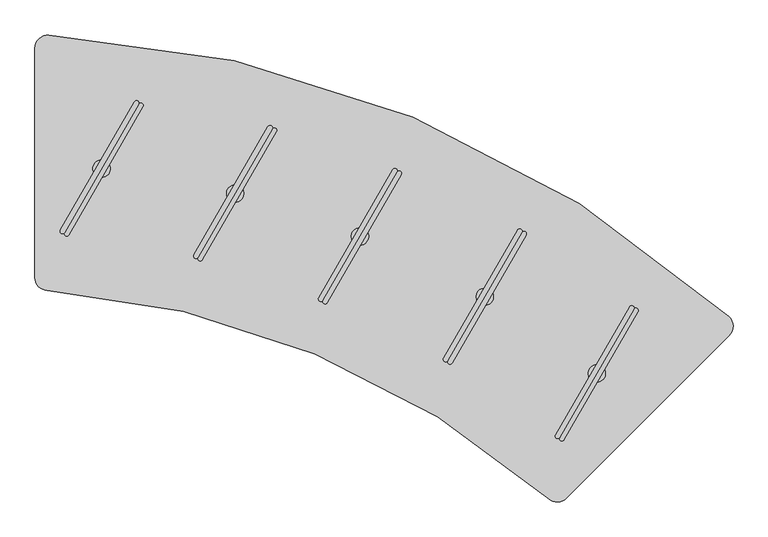
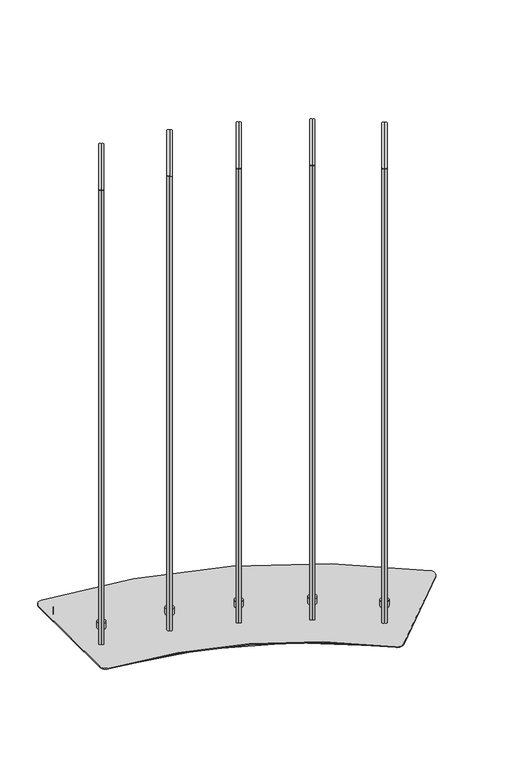
"""IFC4 building model written with IfcOpenShell, lengths in millimetres: furniture geometry."""

from ifc_helpers import new_model, si_unit, point, frame, frame_2d, origin, place, context, project, spatial, polyline, circle_curve, trimmed, segment, composite_curve, outline, extrude, source, transform, mapped, element, save
from ifc_brep_helpers import plane_surface, cylinder_surface, advanced_brep


def furniture_3cf90657(model_context):
    return source(origin(), model_context, "Body", "SolidModel", [
        extrude(outline(composite_curve([segment(trimmed(circle_curve(frame_2d((-419.4960741, 167.4557313)), 19.05), [point((-438.5460741, 167.4557313))], [point((-418.1073044, 186.4550423))], False, "CARTESIAN"), True, "CONTINUOUS"), segment(trimmed(circle_curve(frame_2d((-531.7750957, -1368.5974254)), 1559.2012519), [point((-418.1073044, 186.4550423))], [point((487.4377356, -188.6339732))], False, "CARTESIAN"), True, "CONTINUOUS"), segment(trimmed(circle_curve(frame_2d((474.9852029, -203.0505238)), 19.05), [point((487.4377356, -188.6339732))], [point((488.4555858, -216.5209092))], False, "CARTESIAN"), True, "CONTINUOUS"), segment(polyline([(488.4555858, -216.5209092), (295.9646299, -409.0118286)]), True, "CONTINUOUS"), segment(trimmed(circle_curve(frame_2d((282.494247, -395.5414431)), 19.05), [point((295.9646299, -409.0118286))], [point((270.2667118, -410.1493138))], False, "CARTESIAN"), True, "CONTINUOUS"), segment(trimmed(circle_curve(frame_2d((-531.5515125, -1368.0575729)), 1249.2000231), [point((270.2667118, -410.1493138))], [point((-421.179225, -123.7430403))], True, "CARTESIAN"), True, "CONTINUOUS"), segment(trimmed(circle_curve(frame_2d((-419.4960741, -104.7675429)), 19.05), [point((-421.179225, -123.7430403))], [point((-438.5460741, -104.7675429))], False, "CARTESIAN"), True, "CONTINUOUS"), segment(polyline([(-438.5460741, -104.7675429), (-438.5460741, 167.4557313)]), True, "CONTINUOUS")], self_intersect=False)), frame((0.0, 0.0, 36.322), z_axis=(0.0, 0.0, 1.0), x_axis=(1.0, 0.0, 0.0)), (0.0, 0.0, 1.0), 20.6756),
        extrude(outline(composite_curve([segment(polyline([(-468.5460736, -131.1224266), (-468.5460736, 199.3418668)]), True, "CONTINUOUS"), segment(trimmed(circle_curve(frame_2d((-449.4960736, 199.3418668)), 19.05), [point((-468.5460736, 199.3418668))], [point((-448.5014738, 218.3658851))], False, "CARTESIAN"), True, "CONTINUOUS"), segment(trimmed(circle_curve(frame_2d((-531.4274371, -1367.784621)), 1588.3167642), [point((-448.5014738, 218.3658851))], [point((531.4986436, -187.5565539))], False, "CARTESIAN"), True, "CONTINUOUS"), segment(trimmed(circle_curve(frame_2d((518.7500897, -201.7120078)), 19.05), [point((531.4986436, -187.5565539))], [point((532.220476, -215.1823899))], False, "CARTESIAN"), True, "CONTINUOUS"), segment(polyline([(532.220476, -215.1823899), (297.882893, -449.5200458)]), True, "CONTINUOUS"), segment(trimmed(circle_curve(frame_2d((284.4125067, -436.0496637)), 19.05), [point((297.882893, -449.5200458))], [point((271.9304226, -450.4406358))], False, "CARTESIAN"), True, "CONTINUOUS"), segment(trimmed(circle_curve(frame_2d((-541.5381758, -1388.3131727)), 1241.5055603), [point((271.9304226, -450.4406358))], [point((-450.8870492, -150.1215762))], True, "CARTESIAN"), True, "CONTINUOUS"), segment(trimmed(circle_curve(frame_2d((-449.4960736, -131.1224266)), 19.05), [point((-450.8870492, -150.1215762))], [point((-468.5460736, -131.1224266))], False, "CARTESIAN"), True, "CONTINUOUS")], self_intersect=False)), frame((0.0, 0.0, 56.9976), z_axis=(0.0, 0.0, 1.0), x_axis=(1.0, 0.0, 0.0)), (0.0, 0.0, 1.0), 2.9999986),
        extrude(outline(composite_curve([segment(polyline([(281.9295904, -358.8077226), (388.5875108, -174.0707853)]), True, "CONTINUOUS"), segment(trimmed(circle_curve(frame_2d((391.6185291, -175.8207445)), 3.4999184), [point((388.5875108, -174.0707853))], [point((394.6495473, -177.5707037))], False, "CARTESIAN"), True, "CONTINUOUS"), segment(polyline([(394.6495473, -177.5707037), (287.9916269, -362.3076409)]), True, "CONTINUOUS"), segment(trimmed(circle_curve(frame_2d((284.9606086, -360.5576818)), 3.4999184), [point((287.9916269, -362.3076409))], [point((281.9295904, -358.8077226))], False, "CARTESIAN"), True, "CONTINUOUS")], self_intersect=False)), frame((0.0, 0.0, 80.7339983), z_axis=(0.0, 0.0, 1.0), x_axis=(1.0, 0.0, 0.0)), (0.0, 0.0, 1.0), 1500.124),
        extrude(outline(composite_curve([segment(trimmed(circle_curve(frame_2d((291.0226451, -364.0576001)), 3.4999184), [point((294.0536633, -365.8075593))], [point((287.9916269, -362.3076409))], False, "CARTESIAN"), True, "CONTINUOUS"), segment(polyline([(287.9916269, -362.3076409), (394.6495473, -177.5707037)]), True, "CONTINUOUS"), segment(trimmed(circle_curve(frame_2d((397.6805655, -179.3206629)), 3.4999184), [point((394.6495473, -177.5707037))], [point((400.7115838, -181.0706221))], False, "CARTESIAN"), True, "CONTINUOUS"), segment(polyline([(400.7115838, -181.0706221), (294.0536633, -365.8075593)]), True, "CONTINUOUS")], self_intersect=False)), frame((0.0, 0.0, 80.7339983), z_axis=(0.0, 0.0, 1.0), x_axis=(1.0, 0.0, 0.0)), (0.0, 0.0, 1.0), 1500.124),
        advanced_brep(
        [(341.3143001, -282.4358914, 80.7339983), (341.3143001, -257.4397564, 80.7339983), (341.3143001, -257.4397564, 59.9975986), (341.3143001, -282.4358914, 59.9975986), (341.3143001, -269.9378239, 80.7339983), (341.3143001, -269.9378239, 59.9975986)],
        [
            (0, 1, circle_curve(frame((341.3143001, -269.9378239, 80.7339983), z_axis=(0.0, 0.0, -1.0), x_axis=(0.0, 1.0, 0.0)), 12.4980675)),
            (1, 2),
            (2, 3, circle_curve(frame((341.3143001, -269.9378239, 59.9975986), z_axis=(0.0, 0.0, 1.0), x_axis=(0.0, 1.0, 0.0)), 12.4980675)),
            (3, 0),
            (4, 1),
            (0, 4),
            (0, 1, circle_curve(frame((341.3143001, -269.9378239, 80.7339983), z_axis=(0.0, 0.0, 1.0), x_axis=(0.0, 1.0, 0.0)), 12.4980675)),
            (2, 5),
            (5, 3),
            (2, 3, circle_curve(frame((341.3143001, -269.9378239, 59.9975986), z_axis=(0.0, 0.0, -1.0), x_axis=(0.0, 1.0, 0.0)), 12.4980675)),
        ],
        [
            cylinder_surface(frame((341.3143001, -269.9378239, 88.2747758), z_axis=(0.0, 0.0, 1.0), x_axis=(0.0, 1.0, 0.0)), 12.4980675),
            plane_surface(frame((341.3143001, -269.9378239, 80.7339983), z_axis=(0.0, 0.0, 1.0), x_axis=(0.0, 1.0, 0.0))),
            plane_surface(frame((341.3143001, -269.9378239, 59.9975986), z_axis=(0.0, 0.0, -1.0), x_axis=(0.0, 1.0, 0.0))),
        ],
        [
            (0, [[1, 2, 3, 4]]),
            (1, [[5, -1, 6]]),
            (1, [[-6, 7, -5]]),
            (2, [[-3, 8, 9]]),
            (2, [[10, -9, -8]]),
            (0, [[-7, -4, -10, -2]]),
        ],
    ),
        extrude(outline(composite_curve([segment(polyline([(120.6262821, -248.0135769), (227.2842025, -63.2766396)]), True, "CONTINUOUS"), segment(trimmed(circle_curve(frame_2d((230.3152208, -65.0265988)), 3.4999184), [point((227.2842025, -63.2766396))], [point((233.346239, -66.776558))], False, "CARTESIAN"), True, "CONTINUOUS"), segment(polyline([(233.346239, -66.776558), (126.6883186, -251.5134953)]), True, "CONTINUOUS"), segment(trimmed(circle_curve(frame_2d((123.6573003, -249.7635361)), 3.4999184), [point((126.6883186, -251.5134953))], [point((120.6262821, -248.0135769))], False, "CARTESIAN"), True, "CONTINUOUS")], self_intersect=False)), frame((0.0, 0.0, 80.7339983), z_axis=(0.0, 0.0, 1.0), x_axis=(1.0, 0.0, 0.0)), (0.0, 0.0, 1.0), 1500.124),
        extrude(outline(composite_curve([segment(trimmed(circle_curve(frame_2d((129.7193368, -253.2634545)), 3.4999184), [point((132.750355, -255.0134136))], [point((126.6883186, -251.5134953))], False, "CARTESIAN"), True, "CONTINUOUS"), segment(polyline([(126.6883186, -251.5134953), (233.346239, -66.776558)]), True, "CONTINUOUS"), segment(trimmed(circle_curve(frame_2d((236.3772572, -68.5265172)), 3.4999184), [point((233.346239, -66.776558))], [point((239.4082755, -70.2764764))], False, "CARTESIAN"), True, "CONTINUOUS"), segment(polyline([(239.4082755, -70.2764764), (132.750355, -255.0134136)]), True, "CONTINUOUS")], self_intersect=False)), frame((0.0, 0.0, 80.7339983), z_axis=(0.0, 0.0, 1.0), x_axis=(1.0, 0.0, 0.0)), (0.0, 0.0, 1.0), 1500.124),
        advanced_brep(
        [(180.0109918, -171.6417458, 80.7339983), (180.0109918, -146.6456107, 80.7339983), (180.0109918, -146.6456107, 59.9975986), (180.0109918, -171.6417458, 59.9975986), (180.0109918, -159.1436782, 80.7339983), (180.0109918, -159.1436782, 59.9975986)],
        [
            (0, 1, circle_curve(frame((180.0109918, -159.1436782, 80.7339983), z_axis=(0.0, 0.0, -1.0), x_axis=(0.0, 1.0, 0.0)), 12.4980675)),
            (1, 2),
            (2, 3, circle_curve(frame((180.0109918, -159.1436782, 59.9975986), z_axis=(0.0, 0.0, 1.0), x_axis=(0.0, 1.0, 0.0)), 12.4980675)),
            (3, 0),
            (4, 1),
            (0, 4),
            (0, 1, circle_curve(frame((180.0109918, -159.1436782, 80.7339983), z_axis=(0.0, 0.0, 1.0), x_axis=(0.0, 1.0, 0.0)), 12.4980675)),
            (2, 5),
            (5, 3),
            (2, 3, circle_curve(frame((180.0109918, -159.1436782, 59.9975986), z_axis=(0.0, 0.0, -1.0), x_axis=(0.0, 1.0, 0.0)), 12.4980675)),
        ],
        [
            cylinder_surface(frame((180.0109918, -159.1436782, 88.2747758), z_axis=(0.0, 0.0, 1.0), x_axis=(0.0, 1.0, 0.0)), 12.4980675),
            plane_surface(frame((180.0109918, -159.1436782, 80.7339983), z_axis=(0.0, 0.0, 1.0), x_axis=(0.0, 1.0, 0.0))),
            plane_surface(frame((180.0109918, -159.1436782, 59.9975986), z_axis=(0.0, 0.0, -1.0), x_axis=(0.0, 1.0, 0.0))),
        ],
        [
            (0, [[1, 2, 3, 4]]),
            (1, [[5, -1, 6]]),
            (1, [[-6, 7, -5]]),
            (2, [[-3, 8, 9]]),
            (2, [[10, -9, -8]]),
            (0, [[-7, -4, -10, -2]]),
        ],
    ),
        extrude(outline(composite_curve([segment(polyline([(-431.8141073, -63.1613971), (-325.1561869, 121.5755401)]), True, "CONTINUOUS"), segment(trimmed(circle_curve(frame_2d((-322.1251686, 119.8255809)), 3.4999184), [point((-325.1561869, 121.5755401))], [point((-319.0941504, 118.0756217))], False, "CARTESIAN"), True, "CONTINUOUS"), segment(polyline([(-319.0941504, 118.0756217), (-425.7520708, -66.6613155)]), True, "CONTINUOUS"), segment(trimmed(circle_curve(frame_2d((-428.7830891, -64.9113563)), 3.4999184), [point((-425.7520708, -66.6613155))], [point((-431.8141073, -63.1613971))], False, "CARTESIAN"), True, "CONTINUOUS")], self_intersect=False)), frame((0.0, 0.0, 80.7339983), z_axis=(0.0, 0.0, 1.0), x_axis=(1.0, 0.0, 0.0)), (0.0, 0.0, 1.0), 1500.124),
        extrude(outline(composite_curve([segment(trimmed(circle_curve(frame_2d((-422.7210526, -68.4112747)), 3.4999184), [point((-419.6900344, -70.1612339))], [point((-425.7520708, -66.6613155))], False, "CARTESIAN"), True, "CONTINUOUS"), segment(polyline([(-425.7520708, -66.6613155), (-319.0941504, 118.0756217)]), True, "CONTINUOUS"), segment(trimmed(circle_curve(frame_2d((-316.0631322, 116.3256625)), 3.4999184), [point((-319.0941504, 118.0756217))], [point((-313.0321139, 114.5757034))], False, "CARTESIAN"), True, "CONTINUOUS"), segment(polyline([(-313.0321139, 114.5757034), (-419.6900344, -70.1612339)]), True, "CONTINUOUS")], self_intersect=False)), frame((0.0, 0.0, 80.7339983), z_axis=(0.0, 0.0, 1.0), x_axis=(1.0, 0.0, 0.0)), (0.0, 0.0, 1.0), 1500.124),
        advanced_brep(
        [(-372.4293976, 13.210434, 80.7339983), (-372.4293976, 38.2065691, 80.7339983), (-372.4293976, 38.2065691, 59.9975986), (-372.4293976, 13.210434, 59.9975986), (-372.4293976, 25.7085015, 80.7339983), (-372.4293976, 25.7085015, 59.9975986)],
        [
            (0, 1, circle_curve(frame((-372.4293976, 25.7085015, 80.7339983), z_axis=(0.0, 0.0, -1.0), x_axis=(0.0, 1.0, 0.0)), 12.4980675)),
            (1, 2),
            (2, 3, circle_curve(frame((-372.4293976, 25.7085015, 59.9975986), z_axis=(0.0, 0.0, 1.0), x_axis=(0.0, 1.0, 0.0)), 12.4980675)),
            (3, 0),
            (4, 1),
            (0, 4),
            (0, 1, circle_curve(frame((-372.4293976, 25.7085015, 80.7339983), z_axis=(0.0, 0.0, 1.0), x_axis=(0.0, 1.0, 0.0)), 12.4980675)),
            (2, 5),
            (5, 3),
            (2, 3, circle_curve(frame((-372.4293976, 25.7085015, 59.9975986), z_axis=(0.0, 0.0, -1.0), x_axis=(0.0, 1.0, 0.0)), 12.4980675)),
        ],
        [
            cylinder_surface(frame((-372.4293976, 25.7085015, 88.2747758), z_axis=(0.0, 0.0, 1.0), x_axis=(0.0, 1.0, 0.0)), 12.4980675),
            plane_surface(frame((-372.4293976, 25.7085015, 80.7339983), z_axis=(0.0, 0.0, 1.0), x_axis=(0.0, 1.0, 0.0))),
            plane_surface(frame((-372.4293976, 25.7085015, 59.9975986), z_axis=(0.0, 0.0, -1.0), x_axis=(0.0, 1.0, 0.0))),
        ],
        [
            (0, [[1, 2, 3, 4]]),
            (1, [[5, -1, 6]]),
            (1, [[-6, 7, -5]]),
            (2, [[-3, 8, 9]]),
            (2, [[10, -9, -8]]),
            (0, [[-7, -4, -10, -2]]),
        ],
    ),
        extrude(outline(composite_curve([segment(polyline([(-59.3847097, -160.9427833), (47.2732107, 23.7941539)]), True, "CONTINUOUS"), segment(trimmed(circle_curve(frame_2d((50.3042289, 22.0441947)), 3.4999184), [point((47.2732107, 23.7941539))], [point((53.3352472, 20.2942356))], False, "CARTESIAN"), True, "CONTINUOUS"), segment(polyline([(53.3352472, 20.2942356), (-53.3226733, -164.4427017)]), True, "CONTINUOUS"), segment(trimmed(circle_curve(frame_2d((-56.3536915, -162.6927425)), 3.4999184), [point((-53.3226733, -164.4427017))], [point((-59.3847097, -160.9427833))], False, "CARTESIAN"), True, "CONTINUOUS")], self_intersect=False)), frame((0.0, 0.0, 80.7339983), z_axis=(0.0, 0.0, 1.0), x_axis=(1.0, 0.0, 0.0)), (0.0, 0.0, 1.0), 1500.124),
        extrude(outline(composite_curve([segment(trimmed(circle_curve(frame_2d((-50.291655, -166.1926609)), 3.4999184), [point((-47.2606368, -167.9426201))], [point((-53.3226733, -164.4427017))], False, "CARTESIAN"), True, "CONTINUOUS"), segment(polyline([(-53.3226733, -164.4427017), (53.3352472, 20.2942356)]), True, "CONTINUOUS"), segment(trimmed(circle_curve(frame_2d((56.3662654, 18.5442764)), 3.4999184), [point((53.3352472, 20.2942356))], [point((59.3972836, 16.7943172))], False, "CARTESIAN"), True, "CONTINUOUS"), segment(polyline([(59.3972836, 16.7943172), (-47.2606368, -167.9426201)]), True, "CONTINUOUS")], self_intersect=False)), frame((0.0, 0.0, 80.7339983), z_axis=(0.0, 0.0, 1.0), x_axis=(1.0, 0.0, 0.0)), (0.0, 0.0, 1.0), 1500.124),
        advanced_brep(
        [(0.0, -84.5709522, 80.7339983), (0.0, -59.5748171, 80.7339983), (0.0, -59.5748171, 59.9975986), (0.0, -84.5709522, 59.9975986), (0.0, -72.0728847, 80.7339983), (0.0, -72.0728847, 59.9975986)],
        [
            (0, 1, circle_curve(frame((0.0, -72.0728847, 80.7339983), z_axis=(0.0, 0.0, -1.0), x_axis=(0.0, 1.0, 0.0)), 12.4980675)),
            (1, 2),
            (2, 3, circle_curve(frame((0.0, -72.0728847, 59.9975986), z_axis=(0.0, 0.0, 1.0), x_axis=(0.0, 1.0, 0.0)), 12.4980675)),
            (3, 0),
            (4, 1),
            (0, 4),
            (0, 1, circle_curve(frame((0.0, -72.0728847, 80.7339983), z_axis=(0.0, 0.0, 1.0), x_axis=(0.0, 1.0, 0.0)), 12.4980675)),
            (2, 5),
            (5, 3),
            (2, 3, circle_curve(frame((0.0, -72.0728847, 59.9975986), z_axis=(0.0, 0.0, -1.0), x_axis=(0.0, 1.0, 0.0)), 12.4980675)),
        ],
        [
            cylinder_surface(frame((0.0, -72.0728847, 88.2747758), z_axis=(0.0, 0.0, 1.0), x_axis=(0.0, 1.0, 0.0)), 12.4980675),
            plane_surface(frame((0.0, -72.0728847, 80.7339983), z_axis=(0.0, 0.0, 1.0), x_axis=(0.0, 1.0, 0.0))),
            plane_surface(frame((0.0, -72.0728847, 59.9975986), z_axis=(0.0, 0.0, -1.0), x_axis=(0.0, 1.0, 0.0))),
        ],
        [
            (0, [[1, 2, 3, 4]]),
            (1, [[5, -1, 6]]),
            (1, [[-6, 7, -5]]),
            (2, [[-3, 8, 9]]),
            (2, [[10, -9, -8]]),
            (0, [[-7, -4, -10, -2]]),
        ],
    ),
        extrude(outline(composite_curve([segment(polyline([(-239.2449022, -98.9500193), (-132.5869818, 85.7869179)]), True, "CONTINUOUS"), segment(trimmed(circle_curve(frame_2d((-129.5559635, 84.0369587)), 3.4999184), [point((-132.5869818, 85.7869179))], [point((-126.5249453, 82.2869996))], False, "CARTESIAN"), True, "CONTINUOUS"), segment(polyline([(-126.5249453, 82.2869996), (-233.1828657, -102.4499377)]), True, "CONTINUOUS"), segment(trimmed(circle_curve(frame_2d((-236.213884, -100.6999785)), 3.4999184), [point((-233.1828657, -102.4499377))], [point((-239.2449022, -98.9500193))], False, "CARTESIAN"), True, "CONTINUOUS")], self_intersect=False)), frame((0.0, 0.0, 80.7339983), z_axis=(0.0, 0.0, 1.0), x_axis=(1.0, 0.0, 0.0)), (0.0, 0.0, 1.0), 1500.124),
        extrude(outline(composite_curve([segment(trimmed(circle_curve(frame_2d((-230.1518475, -104.1998969)), 3.4999184), [point((-227.1208293, -105.9498561))], [point((-233.1828657, -102.4499377))], False, "CARTESIAN"), True, "CONTINUOUS"), segment(polyline([(-233.1828657, -102.4499377), (-126.5249453, 82.2869996)]), True, "CONTINUOUS"), segment(trimmed(circle_curve(frame_2d((-123.4939271, 80.5370404)), 3.4999184), [point((-126.5249453, 82.2869996))], [point((-120.4629088, 78.7870812))], False, "CARTESIAN"), True, "CONTINUOUS"), segment(polyline([(-120.4629088, 78.7870812), (-227.1208293, -105.9498561)]), True, "CONTINUOUS")], self_intersect=False)), frame((0.0, 0.0, 80.7339983), z_axis=(0.0, 0.0, 1.0), x_axis=(1.0, 0.0, 0.0)), (0.0, 0.0, 1.0), 1500.124),
        advanced_brep(
        [(-179.8601925, -22.5781882, 80.7339983), (-179.8601925, 2.4179469, 80.7339983), (-179.8601925, 2.4179469, 59.9975986), (-179.8601925, -22.5781882, 59.9975986), (-179.8601925, -10.0801207, 80.7339983), (-179.8601925, -10.0801207, 59.9975986)],
        [
            (0, 1, circle_curve(frame((-179.8601925, -10.0801207, 80.7339983), z_axis=(0.0, 0.0, -1.0), x_axis=(0.0, 1.0, 0.0)), 12.4980675)),
            (1, 2),
            (2, 3, circle_curve(frame((-179.8601925, -10.0801207, 59.9975986), z_axis=(0.0, 0.0, 1.0), x_axis=(0.0, 1.0, 0.0)), 12.4980675)),
            (3, 0),
            (4, 1),
            (0, 4),
            (0, 1, circle_curve(frame((-179.8601925, -10.0801207, 80.7339983), z_axis=(0.0, 0.0, 1.0), x_axis=(0.0, 1.0, 0.0)), 12.4980675)),
            (2, 5),
            (5, 3),
            (2, 3, circle_curve(frame((-179.8601925, -10.0801207, 59.9975986), z_axis=(0.0, 0.0, -1.0), x_axis=(0.0, 1.0, 0.0)), 12.4980675)),
        ],
        [
            cylinder_surface(frame((-179.8601925, -10.0801207, 88.2747758), z_axis=(0.0, 0.0, 1.0), x_axis=(0.0, 1.0, 0.0)), 12.4980675),
            plane_surface(frame((-179.8601925, -10.0801207, 80.7339983), z_axis=(0.0, 0.0, 1.0), x_axis=(0.0, 1.0, 0.0))),
            plane_surface(frame((-179.8601925, -10.0801207, 59.9975986), z_axis=(0.0, 0.0, -1.0), x_axis=(0.0, 1.0, 0.0))),
        ],
        [
            (0, [[1, 2, 3, 4]]),
            (1, [[5, -1, 6]]),
            (1, [[-6, 7, -5]]),
            (2, [[-3, 8, 9]]),
            (2, [[10, -9, -8]]),
            (0, [[-7, -4, -10, -2]]),
        ],
    ),
    ])


if __name__ == "__main__":
    model = new_model("IFC4")
    model_context = context("Model", 3, world=origin())
    ifc_project = project(units=[si_unit("LENGTHUNIT", "METRE", prefix="MILLI")], contexts=[model_context])
    site = spatial("IfcSite", under=ifc_project)
    building = spatial("IfcBuilding", under=site)
    placement = place(None, origin())
    furniture_shape = furniture_3cf90657(model_context)
    element("IfcFurniture", 1, at=placement, inside=building, context=model_context, shape_type="MappedRepresentation", body=[
        mapped(furniture_shape, transform((0.0, 0.0, 0.0), x_axis=(1.0, 0.0, 0.0), y_axis=(0.0, 1.0, 0.0), z_axis=(0.0, 0.0, 1.0))),
    ])
    save(model, "model.ifc")
